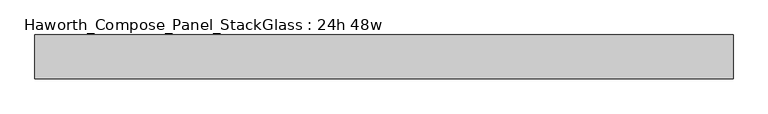
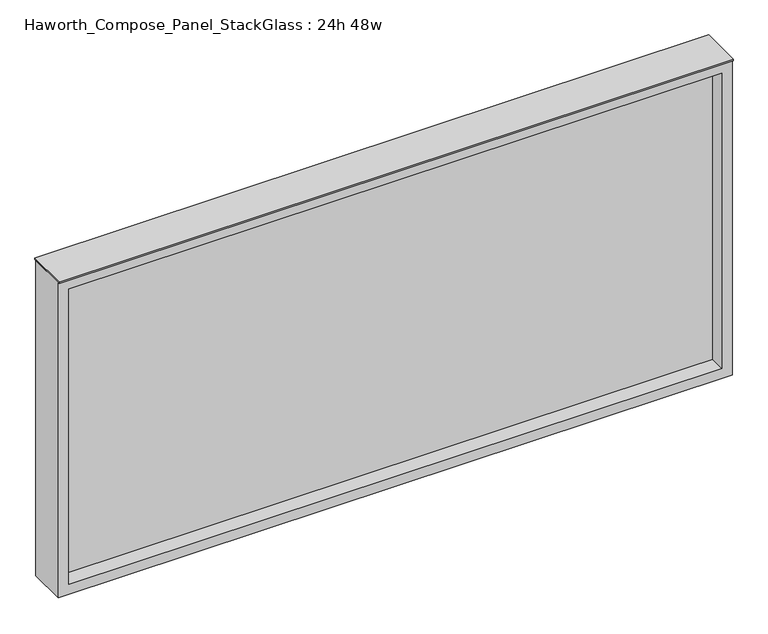
"""IFC4 building model written with IfcOpenShell, lengths in millimetres: furniture geometry, Haworth_Compose_Panel_StackGlass : 24h 48w."""

from ifc_helpers import new_model, si_unit, frame, origin, place, context, project, spatial, polyline, outline, extrude, source, transform, mapped, element, save


def haworth_compose_panel_stackglass_24h_48w_0d119d66(model_context):
    return source(origin(), model_context, "Body", "SweptSolid", [
        extrude(outline(polyline([(592.9902902, -6.35), (-588.1097098, -6.35), (-588.1097098, 6.35), (592.9902902, 6.35), (592.9902902, -6.35)])), frame((0.0, 0.0, 1085.85), z_axis=(0.0, 0.0, 1.0), x_axis=(1.0, 0.0, 0.0)), (0.0, 0.0, 1.0), 565.15),
        extrude(outline(polyline([(1670.05, -607.1597098), (1066.8, -607.1597098), (1066.8, 612.0402902), (1670.05, 612.0402902), (1670.05, -607.1597098)]), holes=[polyline([(1651.0, 592.9902902), (1085.85, 592.9902902), (1085.85, -588.1097098), (1651.0, -588.1097098), (1651.0, 592.9902902)])]), frame((0.0, -34.925, 0.0), z_axis=(0.0, 1.0, 0.0), x_axis=(0.0, 0.0, 1.0)), (0.0, 0.0, 1.0), 69.85),
        extrude(outline(polyline([(-607.1597098, -38.1), (-607.1597098, 38.1), (612.0402902, 38.1), (612.0402902, -38.1), (-607.1597098, -38.1)])), frame((0.0, 0.0, 1670.05), z_axis=(0.0, 0.0, 1.0), x_axis=(1.0, 0.0, 0.0)), (0.0, 0.0, 1.0), 3.175),
    ])


if __name__ == "__main__":
    model = new_model("IFC4")
    model_context = context("Model", 3, world=origin())
    ifc_project = project(units=[si_unit("LENGTHUNIT", "METRE", prefix="MILLI")], contexts=[model_context])
    site = spatial("IfcSite", under=ifc_project)
    building = spatial("IfcBuilding", under=site)
    placement = place(None, origin())
    haworth_compose_panel_stackglass_24h_48w_shape = haworth_compose_panel_stackglass_24h_48w_0d119d66(model_context)
    element("IfcFurniture", 1, ObjectType="Haworth_Compose_Panel_StackGlass : 24h 48w", at=placement, inside=building, context=model_context, shape_type="MappedRepresentation", body=[
        mapped(haworth_compose_panel_stackglass_24h_48w_shape, transform((0.0, 0.0, 0.0), x_axis=(1.0, 0.0, 0.0), y_axis=(0.0, 1.0, 0.0), z_axis=(0.0, 0.0, 1.0))),
    ])
    save(model, "model.ifc")
